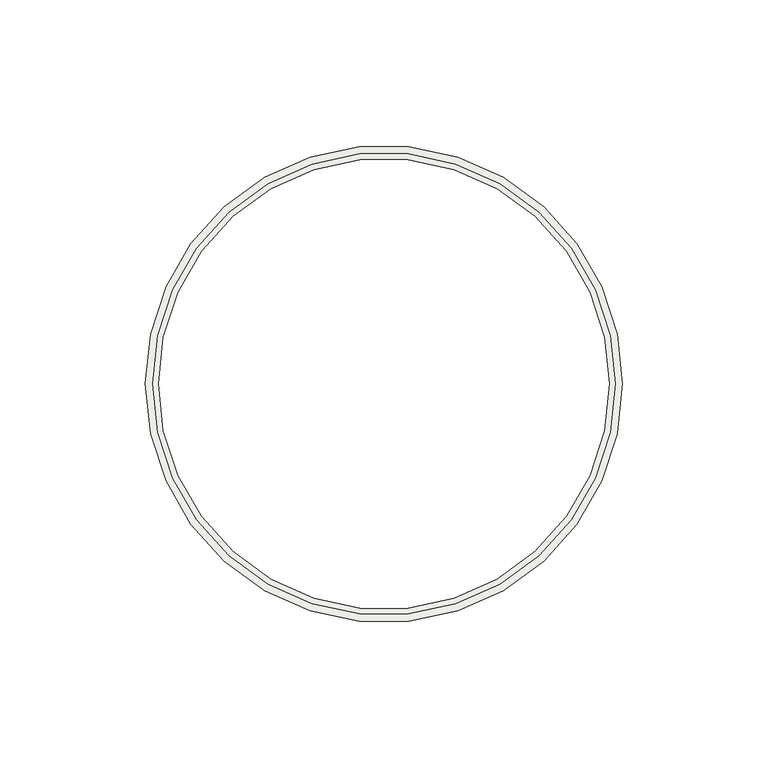
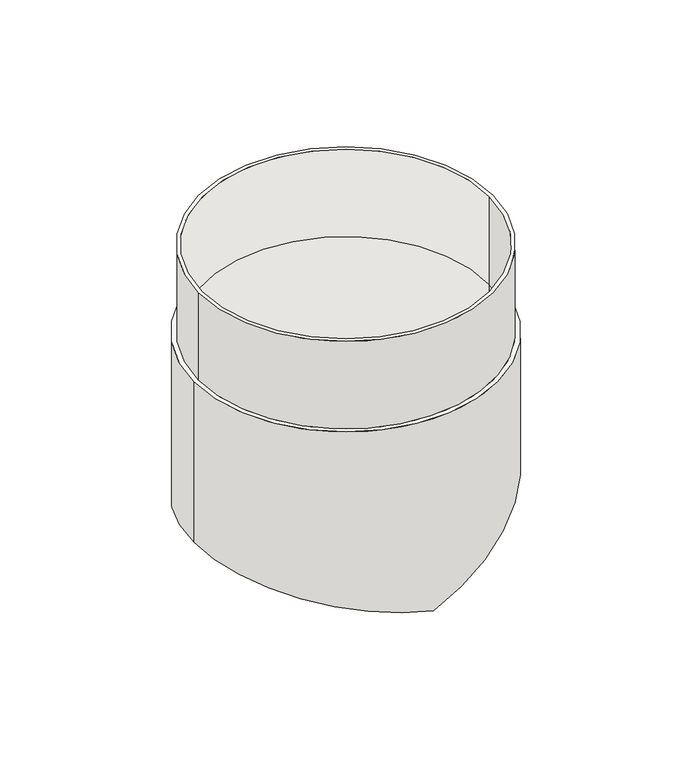
"""IFC4 building model written with IfcOpenShell, lengths in millimetres: covering geometry."""

from ifc_helpers import new_model, si_unit, frame, origin, origin_with_axes, place, context, project, spatial, polyline, circle_curve, ellipse_curve, source, transform, mapped, element, save
from ifc_brep_helpers import plane_surface, cylinder_surface, revolved_surface, advanced_brep


def covering_a2d9a1ae(model_context):
    return source(origin(), model_context, "Body", "AdvancedBrep", [
        advanced_brep(
        [(-79.5, 0.0, 50.0), (79.5, 0.0, 50.0), (-77.5, 0.0, 50.0), (77.5, 0.0, 50.0), (-79.5, 0.0, 0.0), (79.5, 0.0, 0.0), (-77.5, 0.0, 0.0), (77.5, 0.0, 0.0), (-82.0, 0.0, 0.0), (82.0, 0.0, 0.0), (-82.0, 0.0, -91.8210377), (0.0, -82.0, -110.0), (82.0, 0.0, -71.762772), (0.0, 82.0, -110.0), (-77.5, 0.0, -92.8186636), (0.0, 77.5, -110.0), (77.5, 0.0, -73.8611565), (0.0, -77.5, -110.0)],
        [
            (0, 1, circle_curve(frame((0.0, 0.0, 50.0), z_axis=(0.0, 0.0, 1.0), x_axis=(1.0, 0.0, 0.0)), 79.5)),
            (1, 0, circle_curve(frame((0.0, 0.0, 50.0), z_axis=(0.0, 0.0, 1.0), x_axis=(1.0, 0.0, 0.0)), 79.5)),
            (2, 3, circle_curve(frame((0.0, 0.0, 50.0), z_axis=(0.0, 0.0, -1.0), x_axis=(1.0, 0.0, 0.0)), 77.5)),
            (3, 2, circle_curve(frame((0.0, 0.0, 50.0), z_axis=(0.0, 0.0, -1.0), x_axis=(1.0, 0.0, 0.0)), 77.5)),
            (0, 4),
            (4, 5, circle_curve(origin_with_axes(), 79.5)),
            (5, 1),
            (5, 4, circle_curve(origin_with_axes(), 79.5)),
            (2, 6),
            (6, 7, circle_curve(frame((0.0, 0.0, 0.0), z_axis=(0.0, 0.0, -1.0), x_axis=(1.0, 0.0, 0.0)), 77.5)),
            (7, 3),
            (7, 6, circle_curve(frame((0.0, 0.0, 0.0), z_axis=(0.0, 0.0, -1.0), x_axis=(1.0, 0.0, 0.0)), 77.5)),
            (8, 9, circle_curve(origin_with_axes(), 82.0)),
            (9, 8, circle_curve(origin_with_axes(), 82.0)),
            (8, 10),
            (10, 11, ellipse_curve(frame((0.0, 0.0, -110.0), z_axis=(0.21643961393810587, 0.0, 0.9762960071199327), x_axis=(-0.9762960071199328, 0.0, 0.21643961393810587)), 83.9909202, 82.0)),
            (11, 12, ellipse_curve(frame((0.0, 0.0, -110.0), z_axis=(-0.42261826174069617, 0.0, 0.9063077870366515), x_axis=(0.9063077870366514, 0.0, 0.4226182617406962)), 90.4769894, 82.0)),
            (12, 9),
            (12, 13, ellipse_curve(frame((0.0, 0.0, -110.0), z_axis=(-0.42261826174069617, 0.0, 0.9063077870366515), x_axis=(0.9063077870366514, 0.0, 0.4226182617406962)), 90.4769894, 82.0)),
            (13, 10, ellipse_curve(frame((0.0, 0.0, -110.0), z_axis=(0.21643961393810587, 0.0, 0.9762960071199327), x_axis=(-0.9762960071199328, 0.0, 0.21643961393810587)), 83.9909202, 82.0)),
            (6, 14),
            (14, 15, ellipse_curve(frame((0.0, 0.0, -110.0), z_axis=(-0.21643961393810587, 0.0, -0.9762960071199327), x_axis=(0.9762960071199328, 0.0, -0.21643961393810587)), 79.3816624, 77.5)),
            (15, 16, ellipse_curve(frame((0.0, 0.0, -110.0), z_axis=(0.42261826174069617, 0.0, -0.9063077870366515), x_axis=(-0.9063077870366514, 0.0, -0.4226182617406962)), 85.5117887, 77.5)),
            (16, 7),
            (16, 17, ellipse_curve(frame((0.0, 0.0, -110.0), z_axis=(0.42261826174069617, 0.0, -0.9063077870366515), x_axis=(-0.9063077870366514, 0.0, -0.4226182617406962)), 85.5117887, 77.5)),
            (17, 14, ellipse_curve(frame((0.0, 0.0, -110.0), z_axis=(-0.21643961393810587, 0.0, -0.9762960071199327), x_axis=(0.9762960071199328, 0.0, -0.21643961393810587)), 79.3816624, 77.5)),
            (11, 17),
            (15, 13),
        ],
        [
            plane_surface(frame((79.5, 0.0, 50.0), z_axis=(0.0, 0.0, 1.0), x_axis=(0.0, 1.0, 0.0))),
            cylinder_surface(origin_with_axes(), 79.5),
            revolved_surface(polyline([(77.5, 0.0, 0.0), (77.5, 0.0, 50.0)]), (0.0, 0.0, 0.0), (0.0, 0.0, -1.0)),
            plane_surface(frame((82.0, 0.0, 0.0), z_axis=(0.0, 0.0, 1.0), x_axis=(0.0, 1.0, 0.0))),
            cylinder_surface(frame((0.0, 0.0, -110.0), z_axis=(0.0, 0.0, 1.0), x_axis=(1.0, 0.0, 0.0)), 82.0),
            revolved_surface(polyline([(77.5, 0.0, -146.13884349873172), (77.5, 0.0, 0.0)]), (0.0, 0.0, 0.0), (0.0, 0.0, -1.0)),
            plane_surface(frame((114.0, -114.0, -56.840927), z_axis=(0.42261826174069617, 0.0, -0.9063077870366515), x_axis=(0.0, 1.0, 0.0))),
            plane_surface(frame((0.0, -114.0, -110.0), z_axis=(-0.21643961393810587, 0.0, -0.9762960071199327), x_axis=(0.0, 1.0, 0.0))),
        ],
        [
            (0, [[1, 2], [3, 4]]),
            (1, [[-1, 5, 6, 7]]),
            (1, [[-2, -7, 8, -5]]),
            (2, [[-3, 9, 10, 11]]),
            (2, [[-4, -11, 12, -9]]),
            (3, [[13, 14], [-6, -8]]),
            (4, [[-13, 15, 16, 17, 18]]),
            (4, [[-14, -18, 19, 20, -15]]),
            (5, [[21, 22, 23, 24, -10]]),
            (5, [[-21, -12, -24, 25, 26]]),
            (6, [[27, -25, -23, 28, -19, -17]]),
            (7, [[-27, -16, -20, -28, -22, -26]]),
        ],
    ),
    ])


if __name__ == "__main__":
    model = new_model("IFC4")
    model_context = context("Model", 3, world=origin())
    ifc_project = project(units=[si_unit("LENGTHUNIT", "METRE", prefix="MILLI")], contexts=[model_context])
    site = spatial("IfcSite", under=ifc_project)
    building = spatial("IfcBuilding", under=site)
    placement = place(None, origin())
    covering_shape = covering_a2d9a1ae(model_context)
    element("IfcCovering", 1, at=placement, inside=building, context=model_context, shape_type="MappedRepresentation", body=[
        mapped(covering_shape, transform((0.0, 0.0, 0.0), x_axis=(1.0, 0.0, 0.0), y_axis=(0.0, 1.0, 0.0), z_axis=(0.0, 0.0, 1.0))),
    ])
    save(model, "model.ifc")
